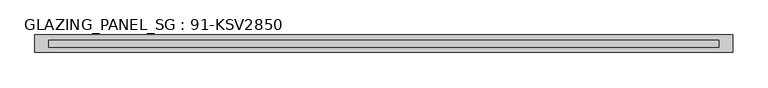
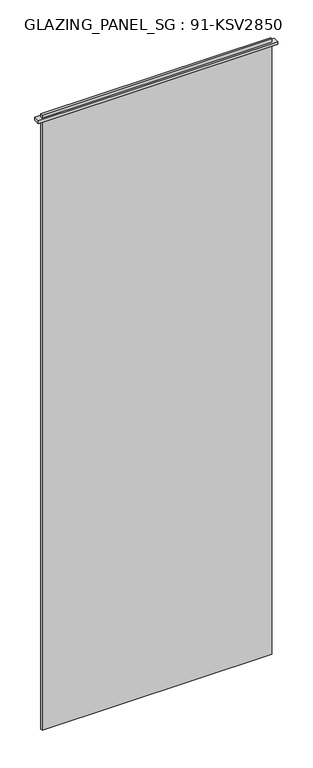
"""IFC4 building model written with IfcOpenShell, lengths in millimetres: plate geometry, GLAZING_PANEL_SG : 91-KSV2850."""

from ifc_helpers import new_model, si_unit, frame, origin, place, context, project, spatial, polyline, outline, extrude, source, transform, mapped, element, save


def glazing_panel_sg_91_ksv2850_e3f3a1be(model_context):
    return source(origin(), model_context, "Body", "SweptSolid", [
        extrude(outline(polyline([(480.0, 5.0), (480.0, -5.0), (-480.0, -5.0), (-480.0, 5.0), (480.0, 5.0)])), frame((0.0, 0.0, 30.0), z_axis=(0.0, 0.0, 1.0), x_axis=(1.0, 0.0, 0.0)), (0.0, 0.0, 1.0), 2718.0),
        extrude(outline(polyline([(500.0, -12.5), (-500.0, -12.5), (-500.0, 12.5), (500.0, 12.5), (500.0, -12.5)])), frame((0.0, 0.0, 2722.0), z_axis=(0.0, 0.0, 1.0), x_axis=(1.0, 0.0, 0.0)), (0.0, 0.0, 1.0), 12.0),
    ])


if __name__ == "__main__":
    model = new_model("IFC4")
    model_context = context("Model", 3, world=origin())
    ifc_project = project(units=[si_unit("LENGTHUNIT", "METRE", prefix="MILLI")], contexts=[model_context])
    site = spatial("IfcSite", under=ifc_project)
    building = spatial("IfcBuilding", under=site)
    placement = place(None, origin())
    glazing_panel_sg_91_ksv2850_shape = glazing_panel_sg_91_ksv2850_e3f3a1be(model_context)
    element("IfcPlate", 1, ObjectType="GLAZING_PANEL_SG : 91-KSV2850", at=placement, inside=building, context=model_context, shape_type="MappedRepresentation", body=[
        mapped(glazing_panel_sg_91_ksv2850_shape, transform((0.0, 0.0, 0.0), x_axis=(1.0, 0.0, 0.0), y_axis=(0.0, 1.0, 0.0), z_axis=(0.0, 0.0, 1.0))),
    ])
    save(model, "model.ifc")
